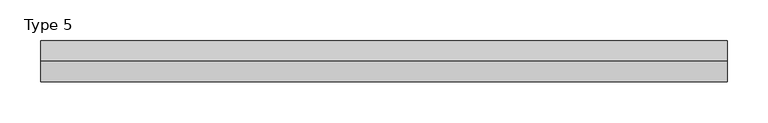
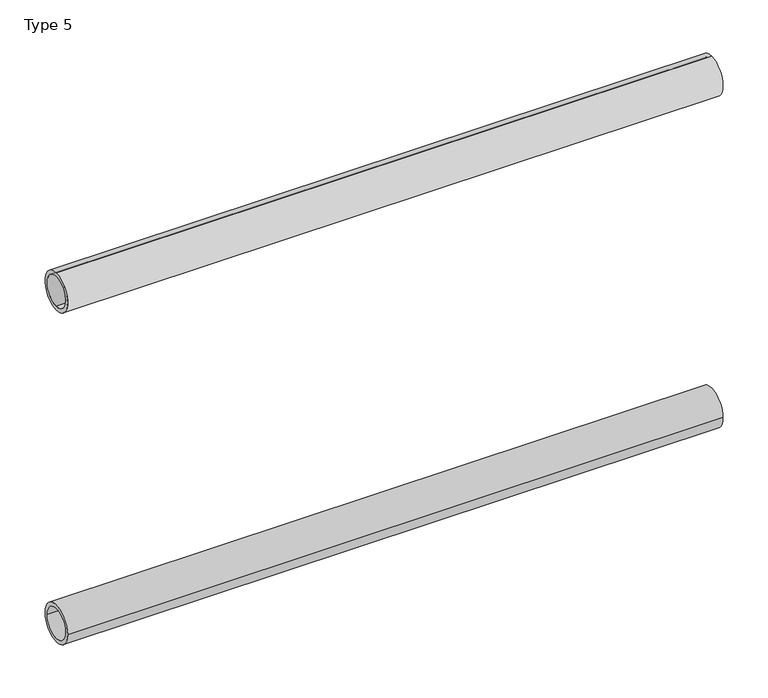
"""IFC4 building model written with IfcOpenShell, lengths in millimetres: proxy geometry, Type 5."""

from ifc_helpers import new_model, si_unit, point, frame, frame_2d, origin, place, context, project, spatial, circle_curve, trimmed, segment, composite_curve, outline, extrude, source, transform, mapped, element, save


def type_5_c96ae13d(model_context):
    return source(origin(), model_context, "Body", "SweptSolid", [
        extrude(outline(composite_curve([segment(trimmed(circle_curve(frame_2d((0.0, 575.0)), 25.0), [point((-25.0, 575.0))], [point((25.0, 575.0))], False, "CARTESIAN"), True, "CONTINUOUS"), segment(trimmed(circle_curve(frame_2d((0.0, 575.0)), 25.0), [point((25.0, 575.0))], [point((-25.0, 575.0))], False, "CARTESIAN"), True, "CONTINUOUS")], self_intersect=False), holes=[composite_curve([segment(trimmed(circle_curve(frame_2d((0.0, 575.0)), 20.0), [point((-20.0, 575.0))], [point((20.0, 575.0))], True, "CARTESIAN"), True, "CONTINUOUS"), segment(trimmed(circle_curve(frame_2d((0.0, 575.0)), 20.0), [point((20.0, 575.0))], [point((-20.0, 575.0))], True, "CARTESIAN"), True, "CONTINUOUS")], self_intersect=False)]), frame((80.0, 0.0, 0.0), z_axis=(1.0, 0.0, 0.0), x_axis=(0.0, 1.0, 0.0)), (0.0, 0.0, 1.0), 840.0),
        extrude(outline(composite_curve([segment(trimmed(circle_curve(frame_2d((0.0, 1025.0)), 25.0), [point((0.0, 1050.0))], [point((0.0, 1000.0))], False, "CARTESIAN"), True, "CONTINUOUS"), segment(trimmed(circle_curve(frame_2d((0.0, 1025.0)), 25.0), [point((0.0, 1000.0))], [point((0.0, 1050.0))], False, "CARTESIAN"), True, "CONTINUOUS")], self_intersect=False), holes=[composite_curve([segment(trimmed(circle_curve(frame_2d((0.0, 1025.0)), 20.0), [point((0.0, 1045.0))], [point((0.0, 1005.0))], True, "CARTESIAN"), True, "CONTINUOUS"), segment(trimmed(circle_curve(frame_2d((0.0, 1025.0)), 20.0), [point((0.0, 1005.0))], [point((0.0, 1045.0))], True, "CARTESIAN"), True, "CONTINUOUS")], self_intersect=False)]), frame((80.0, 0.0, 0.0), z_axis=(1.0, 0.0, 0.0), x_axis=(0.0, 1.0, 0.0)), (0.0, 0.0, 1.0), 840.0),
    ])


if __name__ == "__main__":
    model = new_model("IFC4")
    model_context = context("Model", 3, world=origin())
    ifc_project = project(units=[si_unit("LENGTHUNIT", "METRE", prefix="MILLI")], contexts=[model_context])
    site = spatial("IfcSite", under=ifc_project)
    building = spatial("IfcBuilding", under=site)
    placement = place(None, origin())
    type_5_shape = type_5_c96ae13d(model_context)
    element("IfcBuildingElementProxy", 1, Name="Type 5", ObjectType="Type 5", at=placement, inside=building, context=model_context, shape_type="MappedRepresentation", body=[
        mapped(type_5_shape, transform((0.0, 0.0, 0.0), x_axis=(1.0, 0.0, 0.0), y_axis=(0.0, 1.0, 0.0), z_axis=(0.0, 0.0, 1.0))),
    ])
    save(model, "model.ifc")
